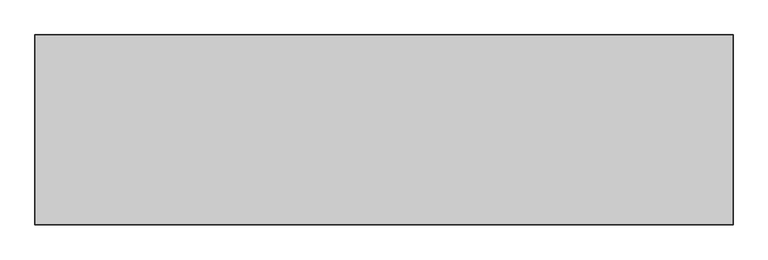
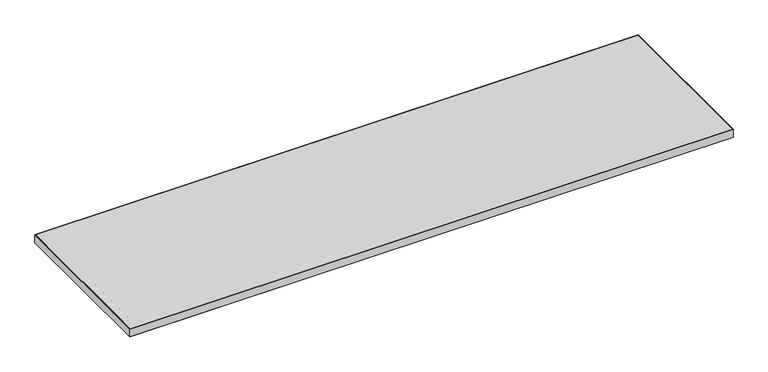
"""IFC4 building model written with IfcOpenShell, lengths in millimetres: furniture geometry."""

from ifc_helpers import new_model, si_unit, frame, origin, place, context, project, spatial, polyline, outline, extrude, source, transform, mapped, element, save


def furniture_a16fb37d(model_context):
    return source(origin(), model_context, "Body", "SweptSolid", [
        extrude(outline(polyline([(1368.4758, 831.9008), (1368.4758, 253.9492), (-758.8758, 253.9492), (-758.8758, 831.9008), (1368.4758, 831.9008)])), frame((0.0, 0.0, 707.009), z_axis=(0.0, 0.0, 1.0), x_axis=(1.0, 0.0, 0.0)), (0.0, 0.0, 1.0), 29.591),
        extrude(outline(polyline([(1370.0633, 252.3617), (-760.4633, 252.3617), (-760.4633, 833.4883), (1370.0633, 833.4883), (1370.0633, 252.3617)]), holes=[polyline([(1368.4758, 831.9008), (-758.8758, 831.9008), (-758.8758, 253.9492), (1368.4758, 253.9492), (1368.4758, 831.9008)])]), frame((0.0, 0.0, 707.009), z_axis=(0.0, 0.0, 1.0), x_axis=(1.0, 0.0, 0.0)), (0.0, 0.0, 1.0), 29.591),
    ])


if __name__ == "__main__":
    model = new_model("IFC4")
    model_context = context("Model", 3, world=origin())
    ifc_project = project(units=[si_unit("LENGTHUNIT", "METRE", prefix="MILLI")], contexts=[model_context])
    site = spatial("IfcSite", under=ifc_project)
    building = spatial("IfcBuilding", under=site)
    placement = place(None, origin())
    furniture_shape = furniture_a16fb37d(model_context)
    element("IfcFurniture", 1, at=placement, inside=building, context=model_context, shape_type="MappedRepresentation", body=[
        mapped(furniture_shape, transform((0.0, 0.0, 0.0), x_axis=(1.0, 0.0, 0.0), y_axis=(0.0, 1.0, 0.0), z_axis=(0.0, 0.0, 1.0))),
    ])
    save(model, "model.ifc")
